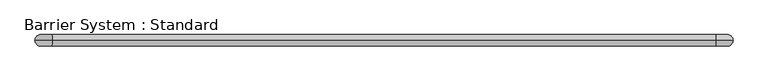
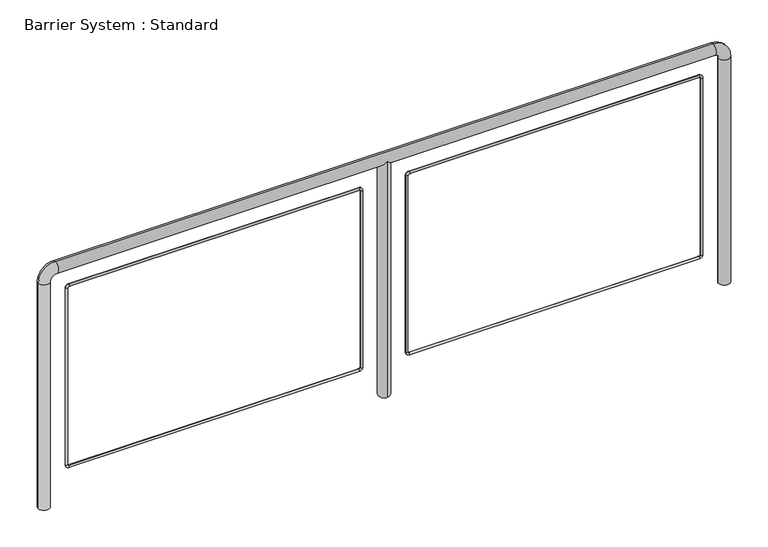
"""IFC4 building model written with IfcOpenShell, lengths in millimetres: proxy geometry, Barrier System : Standard."""

from ifc_helpers import new_model, si_unit, point, frame, origin, place, context, project, spatial, circle_curve, ellipse_curve, trimmed, source, transform, mapped, element, save
from ifc_brep_helpers import plane_surface, cylinder_surface, revolved_surface, advanced_brep


def barrier_system_standard_b17b8b19(model_context):
    return source(origin(), model_context, "Body", "AdvancedBrep", [
        advanced_brep(
        [(25.0, 0.0, 0.0), (-25.0, 0.0, 0.0), (25.0, 0.0, 1050.0), (-25.0, 0.0, 1050.0), (50.0, 0.0, 1075.0), (50.0, 0.0, 1125.0), (1475.0, 0.0, 1075.0), (1500.0, -25.0, 1100.0), (1525.0, 0.0, 1075.0), (2950.0, 0.0, 1075.0), (2950.0, 0.0, 1125.0), (1500.0, 25.0, 1100.0), (2975.0, 0.0, 1050.0), (3025.0, 0.0, 1050.0), (2975.0, 0.0, 0.0), (3025.0, 0.0, 0.0), (1500.0, 25.0, 0.0), (1500.0, -25.0, 0.0)],
        [
            (0, 1, circle_curve(frame((0.0, 0.0, 0.0), z_axis=(0.0, 0.0, -1.0), x_axis=(-1.0, 0.0, 0.0)), 25.0)),
            (1, 0, circle_curve(frame((0.0, 0.0, 0.0), z_axis=(0.0, 0.0, -1.0), x_axis=(-1.0, 0.0, 0.0)), 25.0)),
            (0, 2),
            (2, 3, circle_curve(frame((0.0, 0.0, 1050.0), z_axis=(0.0, 0.0, -1.0), x_axis=(-1.0, 0.0, 0.0)), 25.0)),
            (3, 1),
            (3, 2, circle_curve(frame((0.0, 0.0, 1050.0), z_axis=(0.0, 0.0, -1.0), x_axis=(-1.0, 0.0, 0.0)), 25.0)),
            (2, 4, circle_curve(frame((50.0, 0.0, 1050.0), z_axis=(0.0, 1.0, 0.0), x_axis=(-1.0, 0.0, 0.0)), 25.0)),
            (4, 5, circle_curve(frame((50.0, 0.0, 1100.0), z_axis=(-1.0, 0.0, 0.0), x_axis=(0.0, 0.0, 1.0)), 25.0)),
            (5, 3, circle_curve(frame((50.0, 0.0, 1050.0), z_axis=(0.0, -1.0, 0.0), x_axis=(-1.0, 0.0, 0.0)), 75.0)),
            (5, 4, circle_curve(frame((50.0, 0.0, 1100.0), z_axis=(-1.0, 0.0, 0.0), x_axis=(0.0, 0.0, 1.0)), 25.0)),
            (4, 6),
            (6, 7, ellipse_curve(frame((1500.0, 0.0, 1100.0), z_axis=(-0.7071067811865475, 0.0, 0.7071067811865475), x_axis=(-0.7071067811865476, 0.0, -0.7071067811865474)), 35.3553391, 25.0)),
            (7, 8, ellipse_curve(frame((1500.0, 0.0, 1100.0), z_axis=(0.7071067811865475, 0.0, 0.7071067811865475), x_axis=(-0.7071067811865476, 0.0, 0.7071067811865474)), 35.3553391, 25.0)),
            (8, 9),
            (9, 10, circle_curve(frame((2950.0, 0.0, 1100.0), z_axis=(-1.0, 0.0, 0.0), x_axis=(0.0, 0.0, 1.0)), 25.0)),
            (10, 5),
            (10, 9, circle_curve(frame((2950.0, 0.0, 1100.0), z_axis=(-1.0, 0.0, 0.0), x_axis=(0.0, 0.0, 1.0)), 25.0)),
            (8, 11, ellipse_curve(frame((1500.0, 0.0, 1100.0), z_axis=(0.7071067811865475, 0.0, 0.7071067811865475), x_axis=(-0.7071067811865476, 0.0, 0.7071067811865474)), 35.3553391, 25.0)),
            (11, 6, ellipse_curve(frame((1500.0, 0.0, 1100.0), z_axis=(-0.7071067811865475, 0.0, 0.7071067811865475), x_axis=(-0.7071067811865476, 0.0, -0.7071067811865474)), 35.3553391, 25.0)),
            (9, 12, circle_curve(frame((2950.0, 0.0, 1050.0), z_axis=(0.0, 1.0, 0.0), x_axis=(0.0, 0.0, 1.0)), 25.0)),
            (12, 13, circle_curve(frame((3000.0, 0.0, 1050.0), z_axis=(0.0, 0.0, 1.0), x_axis=(1.0, 0.0, 0.0)), 25.0)),
            (13, 10, circle_curve(frame((2950.0, 0.0, 1050.0), z_axis=(0.0, -1.0, 0.0), x_axis=(0.0, 0.0, 1.0)), 75.0)),
            (13, 12, circle_curve(frame((3000.0, 0.0, 1050.0), z_axis=(0.0, 0.0, 1.0), x_axis=(1.0, 0.0, 0.0)), 25.0)),
            (14, 15, circle_curve(frame((3000.0, 0.0, 0.0), z_axis=(0.0, 0.0, -1.0), x_axis=(1.0, 0.0, 0.0)), 25.0)),
            (15, 14, circle_curve(frame((3000.0, 0.0, 0.0), z_axis=(0.0, 0.0, -1.0), x_axis=(1.0, 0.0, 0.0)), 25.0)),
            (12, 14),
            (15, 13),
            (16, 17, circle_curve(frame((1500.0, 0.0, 0.0), z_axis=(0.0, 0.0, -1.0), x_axis=(0.0, -1.0, 0.0)), 25.0)),
            (17, 16, circle_curve(frame((1500.0, 0.0, 0.0), z_axis=(0.0, 0.0, -1.0), x_axis=(0.0, -1.0, 0.0)), 25.0)),
            (17, 7),
            (11, 16),
        ],
        [
            plane_surface(frame((0.0, 0.0, 0.0), z_axis=(0.0, 0.0, -1.0), x_axis=(0.0, -1.0, 0.0))),
            cylinder_surface(frame((0.0, 0.0, 0.0), z_axis=(0.0, 0.0, -1.0), x_axis=(-1.0, 0.0, 0.0)), 25.0),
            revolved_surface(trimmed(ellipse_curve(frame((0.0, 0.0, 1050.0), z_axis=(0.0, 0.0, -1.0), x_axis=(-1.0, 0.0, 0.0)), 25.0, 25.0), [point((25.0, 0.0, 1050.0))], [point((-25.0, 0.0, 1050.0))], True, "CARTESIAN"), (50.0, 0.0, 1050.0), (0.0, 1.0, 0.0)),
            revolved_surface(trimmed(ellipse_curve(frame((0.0, 0.0, 1050.0), z_axis=(0.0, 0.0, -1.0), x_axis=(-1.0, 0.0, 0.0)), 25.0, 25.0), [point((-25.0, 0.0, 1050.0))], [point((25.0, 0.0, 1050.0))], True, "CARTESIAN"), (50.0, 0.0, 1050.0), (0.0, 1.0, 0.0)),
            cylinder_surface(frame((50.0, 0.0, 1100.0), z_axis=(-1.0, 0.0, 0.0), x_axis=(0.0, 0.0, 1.0)), 25.0),
            revolved_surface(trimmed(ellipse_curve(frame((2950.0, 0.0, 1100.0), z_axis=(-1.0, 0.0, 0.0), x_axis=(0.0, 0.0, 1.0)), 25.0, 25.0), [point((2950.0, 0.0, 1075.0))], [point((2950.0, 0.0, 1125.0))], True, "CARTESIAN"), (2950.0, 0.0, 1050.0), (0.0, 1.0, 0.0)),
            revolved_surface(trimmed(ellipse_curve(frame((2950.0, 0.0, 1100.0), z_axis=(-1.0, 0.0, 0.0), x_axis=(0.0, 0.0, 1.0)), 25.0, 25.0), [point((2950.0, 0.0, 1125.0))], [point((2950.0, 0.0, 1075.0))], True, "CARTESIAN"), (2950.0, 0.0, 1050.0), (0.0, 1.0, 0.0)),
            plane_surface(frame((3000.0, 0.0, 0.0), z_axis=(0.0, 0.0, -1.0), x_axis=(0.0, -1.0, 0.0))),
            cylinder_surface(frame((3000.0, 0.0, 1050.0), z_axis=(0.0, 0.0, 1.0), x_axis=(1.0, 0.0, 0.0)), 25.0),
            plane_surface(frame((1500.0, 0.0, 0.0), z_axis=(0.0, 0.0, -1.0), x_axis=(0.0, -1.0, 0.0))),
            cylinder_surface(frame((1500.0, 0.0, 1100.0), z_axis=(0.0, 0.0, 1.0), x_axis=(0.0, -1.0, 0.0)), 25.0),
        ],
        [
            (0, [[1, 2]]),
            (1, [[-1, 3, 4, 5]]),
            (1, [[-2, -5, 6, -3]]),
            (2, [[-4, 7, 8, 9]]),
            (3, [[-6, -9, 10, -7]]),
            (4, [[-8, 11, 12, 13, 14, 15, 16]]),
            (4, [[-10, -16, 17, -14, 18, 19, -11]]),
            (5, [[-15, 20, 21, 22]]),
            (6, [[-17, -22, 23, -20]]),
            (7, [[24, 25]]),
            (8, [[-21, 26, -25, 27]]),
            (8, [[-23, -27, -24, -26]]),
            (9, [[28, 29]]),
            (10, [[-29, 30, -12, -19, 31]]),
            (10, [[-28, -31, -18, -13, -30]]),
        ],
    ),
        advanced_brep(
        [(2905.0, 0.0, 985.0), (2890.0, 0.0, 1000.0), (2890.0, 0.0, 990.0), (2895.0, 0.0, 985.0), (2895.0, 0.0, 160.0), (2905.0, 0.0, 160.0), (2890.0, 0.0, 145.0), (2890.0, 0.0, 155.0), (1610.0, 0.0, 155.0), (1610.0, 0.0, 145.0), (1595.0, 0.0, 160.0), (1605.0, 0.0, 160.0), (1605.0, 0.0, 985.0), (1595.0, 0.0, 985.0), (1610.0, 0.0, 1000.0), (1610.0, 0.0, 990.0)],
        [
            (0, 1, circle_curve(frame((2890.0, 0.0, 985.0), z_axis=(0.0, -1.0, 0.0), x_axis=(0.0, 0.0, 1.0)), 15.0)),
            (1, 2, circle_curve(frame((2890.0, 0.0, 995.0), z_axis=(1.0, 0.0, 0.0), x_axis=(0.0, 0.0, 1.0)), 5.0)),
            (2, 3, circle_curve(frame((2890.0, 0.0, 985.0), z_axis=(0.0, 1.0, 0.0), x_axis=(0.0, 0.0, 1.0)), 5.0)),
            (3, 0, circle_curve(frame((2900.0, 0.0, 985.0), z_axis=(0.0, 0.0, 1.0), x_axis=(1.0, 0.0, 0.0)), 5.0)),
            (2, 1, circle_curve(frame((2890.0, 0.0, 995.0), z_axis=(1.0, 0.0, 0.0), x_axis=(0.0, 0.0, 1.0)), 5.0)),
            (0, 3, circle_curve(frame((2900.0, 0.0, 985.0), z_axis=(0.0, 0.0, 1.0), x_axis=(1.0, 0.0, 0.0)), 5.0)),
            (3, 4),
            (4, 5, circle_curve(frame((2900.0, 0.0, 160.0), z_axis=(0.0, 0.0, 1.0), x_axis=(1.0, 0.0, 0.0)), 5.0)),
            (5, 0),
            (5, 4, circle_curve(frame((2900.0, 0.0, 160.0), z_axis=(0.0, 0.0, 1.0), x_axis=(1.0, 0.0, 0.0)), 5.0)),
            (6, 5, circle_curve(frame((2890.0, 0.0, 160.0), z_axis=(0.0, -1.0, 0.0), x_axis=(1.0, 0.0, 0.0)), 15.0)),
            (4, 7, circle_curve(frame((2890.0, 0.0, 160.0), z_axis=(0.0, 1.0, 0.0), x_axis=(1.0, 0.0, 0.0)), 5.0)),
            (7, 6, circle_curve(frame((2890.0, 0.0, 150.0), z_axis=(1.0, 0.0, 0.0), x_axis=(0.0, 0.0, -1.0)), 5.0)),
            (6, 7, circle_curve(frame((2890.0, 0.0, 150.0), z_axis=(1.0, 0.0, 0.0), x_axis=(0.0, 0.0, -1.0)), 5.0)),
            (7, 8),
            (8, 9, circle_curve(frame((1610.0, 0.0, 150.0), z_axis=(1.0, 0.0, 0.0), x_axis=(0.0, 0.0, -1.0)), 5.0)),
            (9, 6),
            (9, 8, circle_curve(frame((1610.0, 0.0, 150.0), z_axis=(1.0, 0.0, 0.0), x_axis=(0.0, 0.0, -1.0)), 5.0)),
            (10, 9, circle_curve(frame((1610.0, 0.0, 160.0), z_axis=(0.0, -1.0, 0.0), x_axis=(0.0, 0.0, -1.0)), 15.0)),
            (8, 11, circle_curve(frame((1610.0, 0.0, 160.0), z_axis=(0.0, 1.0, 0.0), x_axis=(0.0, 0.0, -1.0)), 5.0)),
            (11, 10, circle_curve(frame((1600.0, 0.0, 160.0), z_axis=(0.0, 0.0, -1.0), x_axis=(-1.0, 0.0, 0.0)), 5.0)),
            (10, 11, circle_curve(frame((1600.0, 0.0, 160.0), z_axis=(0.0, 0.0, -1.0), x_axis=(-1.0, 0.0, 0.0)), 5.0)),
            (11, 12),
            (12, 13, circle_curve(frame((1600.0, 0.0, 985.0), z_axis=(0.0, 0.0, -1.0), x_axis=(-1.0, 0.0, 0.0)), 5.0)),
            (13, 10),
            (13, 12, circle_curve(frame((1600.0, 0.0, 985.0), z_axis=(0.0, 0.0, -1.0), x_axis=(-1.0, 0.0, 0.0)), 5.0)),
            (14, 13, circle_curve(frame((1610.0, 0.0, 985.0), z_axis=(0.0, -1.0, 0.0), x_axis=(-1.0, 0.0, 0.0)), 15.0)),
            (12, 15, circle_curve(frame((1610.0, 0.0, 985.0), z_axis=(0.0, 1.0, 0.0), x_axis=(-1.0, 0.0, 0.0)), 5.0)),
            (15, 14, circle_curve(frame((1610.0, 0.0, 995.0), z_axis=(-1.0, 0.0, 0.0), x_axis=(0.0, 0.0, 1.0)), 5.0)),
            (14, 15, circle_curve(frame((1610.0, 0.0, 995.0), z_axis=(-1.0, 0.0, 0.0), x_axis=(0.0, 0.0, 1.0)), 5.0)),
            (15, 2),
            (1, 14),
        ],
        [
            revolved_surface(trimmed(ellipse_curve(frame((2890.0, 0.0, 995.0), z_axis=(-1.0, 0.0, 0.0), x_axis=(0.0, 0.0, 1.0)), 5.0, 5.0), [point((2890.0, 0.0, 990.0))], [point((2890.0, 0.0, 1000.0))], True, "CARTESIAN"), (2890.0, 0.0, 985.0), (0.0, 1.0, 0.0)),
            revolved_surface(trimmed(ellipse_curve(frame((2890.0, 0.0, 995.0), z_axis=(-1.0, 0.0, 0.0), x_axis=(0.0, 0.0, 1.0)), 5.0, 5.0), [point((2890.0, 0.0, 1000.0))], [point((2890.0, 0.0, 990.0))], True, "CARTESIAN"), (2890.0, 0.0, 985.0), (0.0, 1.0, 0.0)),
            cylinder_surface(frame((2900.0, 0.0, 985.0), z_axis=(0.0, 0.0, 1.0), x_axis=(1.0, 0.0, 0.0)), 5.0),
            revolved_surface(trimmed(ellipse_curve(frame((2900.0, 0.0, 160.0), z_axis=(0.0, 0.0, 1.0), x_axis=(1.0, 0.0, 0.0)), 5.0, 5.0), [point((2895.0, 0.0, 160.0))], [point((2905.0, 0.0, 160.0))], True, "CARTESIAN"), (2890.0, 0.0, 160.0), (0.0, 1.0, 0.0)),
            revolved_surface(trimmed(ellipse_curve(frame((2900.0, 0.0, 160.0), z_axis=(0.0, 0.0, 1.0), x_axis=(1.0, 0.0, 0.0)), 5.0, 5.0), [point((2905.0, 0.0, 160.0))], [point((2895.0, 0.0, 160.0))], True, "CARTESIAN"), (2890.0, 0.0, 160.0), (0.0, 1.0, 0.0)),
            cylinder_surface(frame((2890.0, 0.0, 150.0), z_axis=(1.0, 0.0, 0.0), x_axis=(0.0, 0.0, -1.0)), 5.0),
            revolved_surface(trimmed(ellipse_curve(frame((1610.0, 0.0, 150.0), z_axis=(1.0, 0.0, 0.0), x_axis=(0.0, 0.0, -1.0)), 5.0, 5.0), [point((1610.0, 0.0, 155.0))], [point((1610.0, 0.0, 145.0))], True, "CARTESIAN"), (1610.0, 0.0, 160.0), (0.0, 1.0, 0.0)),
            revolved_surface(trimmed(ellipse_curve(frame((1610.0, 0.0, 150.0), z_axis=(1.0, 0.0, 0.0), x_axis=(0.0, 0.0, -1.0)), 5.0, 5.0), [point((1610.0, 0.0, 145.0))], [point((1610.0, 0.0, 155.0))], True, "CARTESIAN"), (1610.0, 0.0, 160.0), (0.0, 1.0, 0.0)),
            cylinder_surface(frame((1600.0, 0.0, 160.0), z_axis=(0.0, 0.0, -1.0), x_axis=(-1.0, 0.0, 0.0)), 5.0),
            revolved_surface(trimmed(ellipse_curve(frame((1600.0, 0.0, 985.0), z_axis=(0.0, 0.0, -1.0), x_axis=(-1.0, 0.0, 0.0)), 5.0, 5.0), [point((1605.0, 0.0, 985.0))], [point((1595.0, 0.0, 985.0))], True, "CARTESIAN"), (1610.0, 0.0, 985.0), (0.0, 1.0, 0.0)),
            revolved_surface(trimmed(ellipse_curve(frame((1600.0, 0.0, 985.0), z_axis=(0.0, 0.0, -1.0), x_axis=(-1.0, 0.0, 0.0)), 5.0, 5.0), [point((1595.0, 0.0, 985.0))], [point((1605.0, 0.0, 985.0))], True, "CARTESIAN"), (1610.0, 0.0, 985.0), (0.0, 1.0, 0.0)),
            cylinder_surface(frame((1610.0, 0.0, 995.0), z_axis=(-1.0, 0.0, 0.0), x_axis=(0.0, 0.0, 1.0)), 5.0),
        ],
        [
            (0, [[1, 2, 3, 4]]),
            (1, [[-3, 5, -1, 6]]),
            (2, [[-4, 7, 8, 9]]),
            (2, [[-6, -9, 10, -7]]),
            (3, [[11, -8, 12, 13]]),
            (4, [[-12, -10, -11, 14]]),
            (5, [[-13, 15, 16, 17]]),
            (5, [[-14, -17, 18, -15]]),
            (6, [[19, -16, 20, 21]]),
            (7, [[-20, -18, -19, 22]]),
            (8, [[-21, 23, 24, 25]]),
            (8, [[-22, -25, 26, -23]]),
            (9, [[27, -24, 28, 29]]),
            (10, [[-28, -26, -27, 30]]),
            (11, [[-29, 31, -2, 32]]),
            (11, [[-30, -32, -5, -31]]),
        ],
    ),
        advanced_brep(
        [(1405.0, 0.0, 985.0), (1390.0, 0.0, 1000.0), (1390.0, 0.0, 990.0), (1395.0, 0.0, 985.0), (1395.0, 0.0, 160.0), (1405.0, 0.0, 160.0), (1390.0, 0.0, 145.0), (1390.0, 0.0, 155.0), (110.0, 0.0, 155.0), (110.0, 0.0, 145.0), (95.0, 0.0, 160.0), (105.0, 0.0, 160.0), (105.0, 0.0, 985.0), (95.0, 0.0, 985.0), (110.0, 0.0, 1000.0), (110.0, 0.0, 990.0)],
        [
            (0, 1, circle_curve(frame((1390.0, 0.0, 985.0), z_axis=(0.0, -1.0, 0.0), x_axis=(0.0, 0.0, 1.0)), 15.0)),
            (1, 2, circle_curve(frame((1390.0, 0.0, 995.0), z_axis=(1.0, 0.0, 0.0), x_axis=(0.0, 0.0, 1.0)), 5.0)),
            (2, 3, circle_curve(frame((1390.0, 0.0, 985.0), z_axis=(0.0, 1.0, 0.0), x_axis=(0.0, 0.0, 1.0)), 5.0)),
            (3, 0, circle_curve(frame((1400.0, 0.0, 985.0), z_axis=(0.0, 0.0, 1.0), x_axis=(1.0, 0.0, 0.0)), 5.0)),
            (2, 1, circle_curve(frame((1390.0, 0.0, 995.0), z_axis=(1.0, 0.0, 0.0), x_axis=(0.0, 0.0, 1.0)), 5.0)),
            (0, 3, circle_curve(frame((1400.0, 0.0, 985.0), z_axis=(0.0, 0.0, 1.0), x_axis=(1.0, 0.0, 0.0)), 5.0)),
            (3, 4),
            (4, 5, circle_curve(frame((1400.0, 0.0, 160.0), z_axis=(0.0, 0.0, 1.0), x_axis=(1.0, 0.0, 0.0)), 5.0)),
            (5, 0),
            (5, 4, circle_curve(frame((1400.0, 0.0, 160.0), z_axis=(0.0, 0.0, 1.0), x_axis=(1.0, 0.0, 0.0)), 5.0)),
            (6, 5, circle_curve(frame((1390.0, 0.0, 160.0), z_axis=(0.0, -1.0, 0.0), x_axis=(1.0, 0.0, 0.0)), 15.0)),
            (4, 7, circle_curve(frame((1390.0, 0.0, 160.0), z_axis=(0.0, 1.0, 0.0), x_axis=(1.0, 0.0, 0.0)), 5.0)),
            (7, 6, circle_curve(frame((1390.0, 0.0, 150.0), z_axis=(1.0, 0.0, 0.0), x_axis=(0.0, 0.0, -1.0)), 5.0)),
            (6, 7, circle_curve(frame((1390.0, 0.0, 150.0), z_axis=(1.0, 0.0, 0.0), x_axis=(0.0, 0.0, -1.0)), 5.0)),
            (7, 8),
            (8, 9, circle_curve(frame((110.0, 0.0, 150.0), z_axis=(1.0, 0.0, 0.0), x_axis=(0.0, 0.0, -1.0)), 5.0)),
            (9, 6),
            (9, 8, circle_curve(frame((110.0, 0.0, 150.0), z_axis=(1.0, 0.0, 0.0), x_axis=(0.0, 0.0, -1.0)), 5.0)),
            (10, 9, circle_curve(frame((110.0, 0.0, 160.0), z_axis=(0.0, -1.0, 0.0), x_axis=(0.0, 0.0, -1.0)), 15.0)),
            (8, 11, circle_curve(frame((110.0, 0.0, 160.0), z_axis=(0.0, 1.0, 0.0), x_axis=(0.0, 0.0, -1.0)), 5.0)),
            (11, 10, circle_curve(frame((100.0, 0.0, 160.0), z_axis=(0.0, 0.0, -1.0), x_axis=(-1.0, 0.0, 0.0)), 5.0)),
            (10, 11, circle_curve(frame((100.0, 0.0, 160.0), z_axis=(0.0, 0.0, -1.0), x_axis=(-1.0, 0.0, 0.0)), 5.0)),
            (11, 12),
            (12, 13, circle_curve(frame((100.0, 0.0, 985.0), z_axis=(0.0, 0.0, -1.0), x_axis=(-1.0, 0.0, 0.0)), 5.0)),
            (13, 10),
            (13, 12, circle_curve(frame((100.0, 0.0, 985.0), z_axis=(0.0, 0.0, -1.0), x_axis=(-1.0, 0.0, 0.0)), 5.0)),
            (14, 13, circle_curve(frame((110.0, 0.0, 985.0), z_axis=(0.0, -1.0, 0.0), x_axis=(-1.0, 0.0, 0.0)), 15.0)),
            (12, 15, circle_curve(frame((110.0, 0.0, 985.0), z_axis=(0.0, 1.0, 0.0), x_axis=(-1.0, 0.0, 0.0)), 5.0)),
            (15, 14, circle_curve(frame((110.0, 0.0, 995.0), z_axis=(-1.0, 0.0, 0.0), x_axis=(0.0, 0.0, 1.0)), 5.0)),
            (14, 15, circle_curve(frame((110.0, 0.0, 995.0), z_axis=(-1.0, 0.0, 0.0), x_axis=(0.0, 0.0, 1.0)), 5.0)),
            (15, 2),
            (1, 14),
        ],
        [
            revolved_surface(trimmed(ellipse_curve(frame((1390.0, 0.0, 995.0), z_axis=(-1.0, 0.0, 0.0), x_axis=(0.0, 0.0, 1.0)), 5.0, 5.0), [point((1390.0, 0.0, 990.0))], [point((1390.0, 0.0, 1000.0))], True, "CARTESIAN"), (1390.0, 0.0, 985.0), (0.0, 1.0, 0.0)),
            revolved_surface(trimmed(ellipse_curve(frame((1390.0, 0.0, 995.0), z_axis=(-1.0, 0.0, 0.0), x_axis=(0.0, 0.0, 1.0)), 5.0, 5.0), [point((1390.0, 0.0, 1000.0))], [point((1390.0, 0.0, 990.0))], True, "CARTESIAN"), (1390.0, 0.0, 985.0), (0.0, 1.0, 0.0)),
            cylinder_surface(frame((1400.0, 0.0, 985.0), z_axis=(0.0, 0.0, 1.0), x_axis=(1.0, 0.0, 0.0)), 5.0),
            revolved_surface(trimmed(ellipse_curve(frame((1400.0, 0.0, 160.0), z_axis=(0.0, 0.0, 1.0), x_axis=(1.0, 0.0, 0.0)), 5.0, 5.0), [point((1395.0, 0.0, 160.0))], [point((1405.0, 0.0, 160.0))], True, "CARTESIAN"), (1390.0, 0.0, 160.0), (0.0, 1.0, 0.0)),
            revolved_surface(trimmed(ellipse_curve(frame((1400.0, 0.0, 160.0), z_axis=(0.0, 0.0, 1.0), x_axis=(1.0, 0.0, 0.0)), 5.0, 5.0), [point((1405.0, 0.0, 160.0))], [point((1395.0, 0.0, 160.0))], True, "CARTESIAN"), (1390.0, 0.0, 160.0), (0.0, 1.0, 0.0)),
            cylinder_surface(frame((1390.0, 0.0, 150.0), z_axis=(1.0, 0.0, 0.0), x_axis=(0.0, 0.0, -1.0)), 5.0),
            revolved_surface(trimmed(ellipse_curve(frame((110.0, 0.0, 150.0), z_axis=(1.0, 0.0, 0.0), x_axis=(0.0, 0.0, -1.0)), 5.0, 5.0), [point((110.0, 0.0, 155.0))], [point((110.0, 0.0, 145.0))], True, "CARTESIAN"), (110.0, 0.0, 160.0), (0.0, 1.0, 0.0)),
            revolved_surface(trimmed(ellipse_curve(frame((110.0, 0.0, 150.0), z_axis=(1.0, 0.0, 0.0), x_axis=(0.0, 0.0, -1.0)), 5.0, 5.0), [point((110.0, 0.0, 145.0))], [point((110.0, 0.0, 155.0))], True, "CARTESIAN"), (110.0, 0.0, 160.0), (0.0, 1.0, 0.0)),
            cylinder_surface(frame((100.0, 0.0, 160.0), z_axis=(0.0, 0.0, -1.0), x_axis=(-1.0, 0.0, 0.0)), 5.0),
            revolved_surface(trimmed(ellipse_curve(frame((100.0, 0.0, 985.0), z_axis=(0.0, 0.0, -1.0), x_axis=(-1.0, 0.0, 0.0)), 5.0, 5.0), [point((105.0, 0.0, 985.0))], [point((95.0, 0.0, 985.0))], True, "CARTESIAN"), (110.0, 0.0, 985.0), (0.0, 1.0, 0.0)),
            revolved_surface(trimmed(ellipse_curve(frame((100.0, 0.0, 985.0), z_axis=(0.0, 0.0, -1.0), x_axis=(-1.0, 0.0, 0.0)), 5.0, 5.0), [point((95.0, 0.0, 985.0))], [point((105.0, 0.0, 985.0))], True, "CARTESIAN"), (110.0, 0.0, 985.0), (0.0, 1.0, 0.0)),
            cylinder_surface(frame((110.0, 0.0, 995.0), z_axis=(-1.0, 0.0, 0.0), x_axis=(0.0, 0.0, 1.0)), 5.0),
        ],
        [
            (0, [[1, 2, 3, 4]]),
            (1, [[-3, 5, -1, 6]]),
            (2, [[-4, 7, 8, 9]]),
            (2, [[-6, -9, 10, -7]]),
            (3, [[11, -8, 12, 13]]),
            (4, [[-12, -10, -11, 14]]),
            (5, [[-13, 15, 16, 17]]),
            (5, [[-14, -17, 18, -15]]),
            (6, [[19, -16, 20, 21]]),
            (7, [[-20, -18, -19, 22]]),
            (8, [[-21, 23, 24, 25]]),
            (8, [[-22, -25, 26, -23]]),
            (9, [[27, -24, 28, 29]]),
            (10, [[-28, -26, -27, 30]]),
            (11, [[-29, 31, -2, 32]]),
            (11, [[-30, -32, -5, -31]]),
        ],
    ),
    ])


if __name__ == "__main__":
    model = new_model("IFC4")
    model_context = context("Model", 3, world=origin())
    ifc_project = project(units=[si_unit("LENGTHUNIT", "METRE", prefix="MILLI")], contexts=[model_context])
    site = spatial("IfcSite", under=ifc_project)
    building = spatial("IfcBuilding", under=site)
    placement = place(None, origin())
    barrier_system_standard_shape = barrier_system_standard_b17b8b19(model_context)
    element("IfcBuildingElementProxy", 1, Name="Barrier System : Standard", ObjectType="Barrier System : Standard", at=placement, inside=building, context=model_context, shape_type="MappedRepresentation", body=[
        mapped(barrier_system_standard_shape, transform((0.0, 0.0, 0.0), x_axis=(1.0, 0.0, 0.0), y_axis=(0.0, 1.0, 0.0), z_axis=(0.0, 0.0, 1.0))),
    ])
    save(model, "model.ifc")
